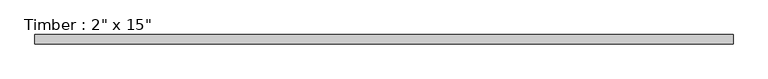
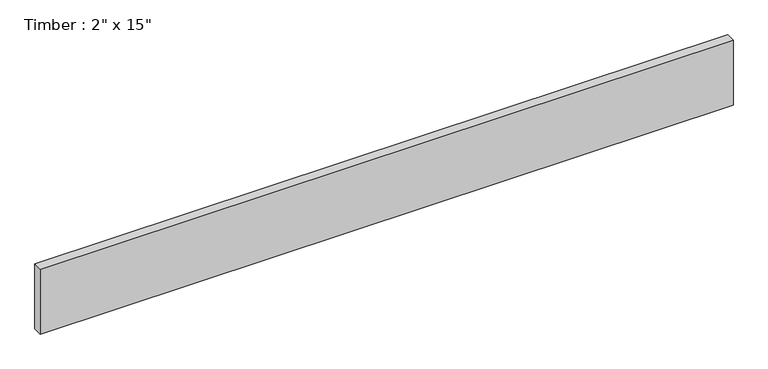
"""IFC4 building model written with IfcOpenShell, lengths in millimetres: beam geometry."""

from ifc_helpers import new_model, si_unit, frame, origin, place, context, project, spatial, polyline, outline, extrude, source, transform, mapped, element, save


def beam_b94c5031(model_context):
    return source(origin(), model_context, "Body", "SweptSolid", [
        extrude(outline(polyline([(1921.9785271, -25.4), (-1921.9785271, -25.4), (-1921.9785271, 25.4), (1921.9785271, 25.4), (1921.9785271, -25.4)])), frame((0.0, 0.0, -190.5), z_axis=(0.0, 0.0, 1.0), x_axis=(1.0, 0.0, 0.0)), (0.0, 0.0, 1.0), 381.0),
    ])


if __name__ == "__main__":
    model = new_model("IFC4")
    model_context = context("Model", 3, world=origin())
    ifc_project = project(units=[si_unit("LENGTHUNIT", "METRE", prefix="MILLI")], contexts=[model_context])
    site = spatial("IfcSite", under=ifc_project)
    building = spatial("IfcBuilding", under=site)
    placement = place(None, origin())
    beam_shape = beam_b94c5031(model_context)
    element("IfcBeam", 1, ObjectType="Timber : 2\" x 15\"", at=placement, inside=building, context=model_context, shape_type="MappedRepresentation", body=[
        mapped(beam_shape, transform((0.0, 0.0, 0.0), x_axis=(1.0, 0.0, 0.0), y_axis=(0.0, 1.0, 0.0), z_axis=(0.0, 0.0, 1.0))),
    ])
    save(model, "model.ifc")
